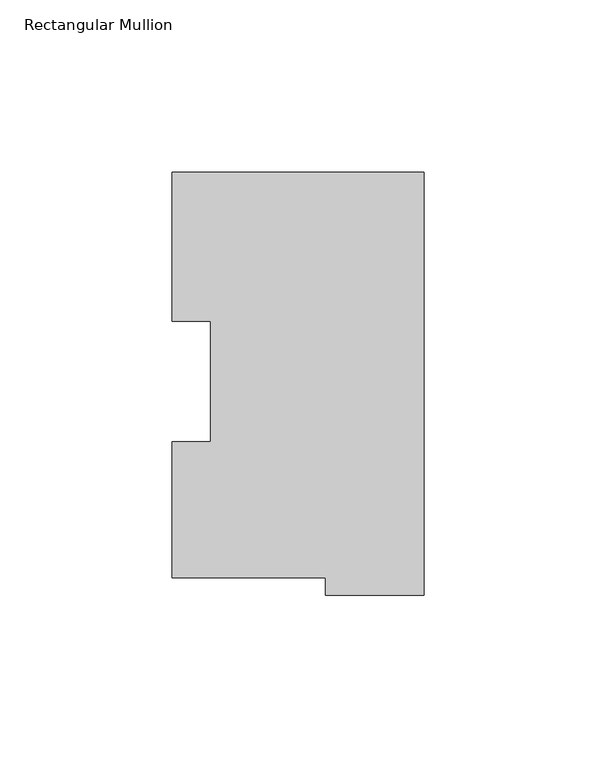
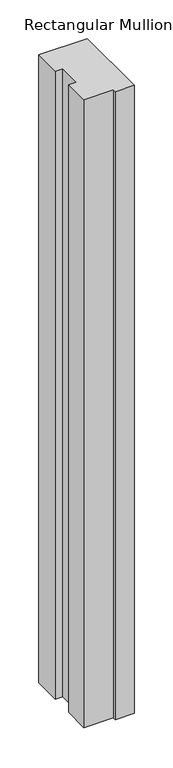
"""IFC4 building model written with IfcOpenShell, lengths in millimetres: member geometry, Rectangular Mullion."""

import ifcopenshell
import ifcopenshell.guid

model = None  # the IFC model being written
_history = None  # IfcOwnerHistory: only IFC2X3 demands one
_inside = {}  # id of a spatial element -> (the spatial element, [elements in it])
_under = {}  # id of a project, library or spatial element -> (it, [spatial elements below it])
_declared = {}  # id of a project -> (the project, [libraries it declares])
_typed = {}  # id of a type object -> (the type object, [elements of that type])
_made_of = {}  # id of a material, layer set ... -> (it, [elements and type objects made of it])


def new_model(schema):
    """Start an empty IFC model of exactly this schema.

    Asked for "IFC4X3", IfcOpenShell would pick the latest addendum, in which some entities
    have other attributes; the version numbers below select the first issue.
    IFC2X3 requires an IfcOwnerHistory on every rooted entity: one is made here for all.
    """
    global model, _history
    if schema == "IFC4X3":
        model = ifcopenshell.file(schema_version=(4, 3, 0, 0))
    else:
        model = ifcopenshell.file(schema=schema)
    _inside.clear()
    _under.clear()
    _declared.clear()
    _typed.clear()
    _made_of.clear()
    _history = None
    if model.schema == "IFC2X3":
        org = make("IfcOrganization", Name="unknown")
        user = make(
            "IfcPersonAndOrganization",
            ThePerson=make("IfcPerson", FamilyName="unknown"),
            TheOrganization=org,
        )
        app = make(
            "IfcApplication",
            ApplicationDeveloper=org,
            Version="unknown",
            ApplicationFullName="unknown",
            ApplicationIdentifier="unknown",
        )
        _history = make(
            "IfcOwnerHistory",
            OwningUser=user,
            OwningApplication=app,
            ChangeAction="ADDED",
            CreationDate=0,
        )
    return model


def make(cls, **values):
    """One entity of the class cls with the attributes given. An attribute that is None is left unset."""
    return model.create_entity(
        cls, **{name: value for name, value in values.items() if value is not None}
    )


def rooted(cls, **values):
    """An entity with a GlobalId (a new one), such as an element, a storey or a relation."""
    return make(cls, GlobalId=ifcopenshell.guid.new(), OwnerHistory=_history, **values)


def si_unit(unit_type, name, prefix=None):
    """IfcSIUnit, for example si_unit("LENGTHUNIT", "METRE", prefix="MILLI")."""
    return make("IfcSIUnit", UnitType=unit_type, Prefix=prefix, Name=name)


def assignment(units):
    """IfcUnitAssignment: the units of a project."""
    return None if units is None else make("IfcUnitAssignment", Units=units)


def point(xyz):
    """IfcCartesianPoint."""
    return None if xyz is None else make("IfcCartesianPoint", Coordinates=xyz)


def direction(xyz):
    """IfcDirection."""
    return None if xyz is None else make("IfcDirection", DirectionRatios=xyz)


def frame(location, z_axis=None, x_axis=None):
    """IfcAxis2Placement3D, a coordinate frame: its origin and axes. An axis left out is left unset."""
    return make(
        "IfcAxis2Placement3D",
        Location=point(location),
        Axis=direction(z_axis),
        RefDirection=direction(x_axis),
    )


def origin():
    """The frame at (0, 0, 0) with its axes left unset."""
    return frame((0.0, 0.0, 0.0))


def place(relative_to, where):
    """IfcLocalPlacement: puts the frame where relative to a parent placement (None: the world)."""
    return make(
        "IfcLocalPlacement", PlacementRelTo=relative_to, RelativePlacement=where
    )


def context(
    kind, dimensions, precision=None, world=None, true_north=None, identifier=None
):
    """IfcGeometricRepresentationContext, for example the 3D "Model" context."""
    return make(
        "IfcGeometricRepresentationContext",
        ContextIdentifier=identifier,
        ContextType=kind,
        CoordinateSpaceDimension=dimensions,
        Precision=precision,
        WorldCoordinateSystem=world,
        TrueNorth=true_north,
    )


def project(units=None, contexts=None):
    """IfcProject with its units and contexts."""
    return rooted(
        "IfcProject",
        Name="project",
        RepresentationContexts=contexts,
        UnitsInContext=assignment(units),
    )


def spatial(cls, under=None, at=None, **own):
    """A site, building, storey or space (cls), placed at a placement, below another one or the project."""
    s = rooted(cls, ObjectPlacement=at, **own)
    if under is not None:
        _under.setdefault(under.id(), (under, []))[1].append(s)
    return s


def polyline(points):
    """IfcPolyline through the points."""
    return make("IfcPolyline", Points=[point(p) for p in points])


def outline(outer, holes=None, kind="AREA"):
    """IfcArbitraryClosedProfileDef: a profile drawn as a closed curve; with holes, ...WithVoids."""
    if holes is None:
        return make("IfcArbitraryClosedProfileDef", ProfileType=kind, OuterCurve=outer)
    return make(
        "IfcArbitraryProfileDefWithVoids",
        ProfileType=kind,
        OuterCurve=outer,
        InnerCurves=holes,
    )


def extrude(swept, where, along, depth):
    """IfcExtrudedAreaSolid: the profile swept, set in the frame where, extruded along a direction by depth."""
    return make(
        "IfcExtrudedAreaSolid",
        SweptArea=swept,
        Position=where,
        ExtrudedDirection=direction(along),
        Depth=depth,
    )


def shape(context_of_items, identifier, shape_type, items):
    """IfcShapeRepresentation: the items that make up one representation, for example the "Body"."""
    return make(
        "IfcShapeRepresentation",
        ContextOfItems=context_of_items,
        RepresentationIdentifier=identifier,
        RepresentationType=shape_type,
        Items=items,
    )


def source(mapping_origin, context_of_items, identifier, shape_type, items):
    """IfcRepresentationMap: a shape defined once, which mapped items show again and again."""
    return make(
        "IfcRepresentationMap",
        MappingOrigin=mapping_origin,
        MappedRepresentation=shape(context_of_items, identifier, shape_type, items),
    )


def transform(
    local_origin,
    x_axis=None,
    y_axis=None,
    z_axis=None,
    scale=None,
    scale2=None,
    scale3=None,
    uniform=True,
):
    """IfcCartesianTransformationOperator3D, or its non-uniform kind. x_axis, y_axis, z_axis: its Axis1, 2, 3."""
    if uniform:
        return make(
            "IfcCartesianTransformationOperator3D",
            Axis1=direction(x_axis),
            Axis2=direction(y_axis),
            LocalOrigin=point(local_origin),
            Scale=scale,
            Axis3=direction(z_axis),
        )
    return make(
        "IfcCartesianTransformationOperator3DnonUniform",
        Axis1=direction(x_axis),
        Axis2=direction(y_axis),
        LocalOrigin=point(local_origin),
        Scale=scale,
        Axis3=direction(z_axis),
        Scale2=scale2,
        Scale3=scale3,
    )


def mapped(mapping_source, mapping_target):
    """IfcMappedItem: shows the shape of a source again, moved by a transform."""
    return make(
        "IfcMappedItem", MappingSource=mapping_source, MappingTarget=mapping_target
    )


def made_of(thing, what):
    """Note that an element or type object is made of a material, layer set ...; save() writes the relation."""
    if what is not None:
        _made_of.setdefault(what.id(), (what, []))[1].append(thing)
    return thing


def element(
    cls,
    number,
    at=None,
    inside=None,
    cuts=None,
    type_object=None,
    material=None,
    context=None,
    identifier="Body",
    shape_type=None,
    held_by="IfcProductDefinitionShape",
    body=None,
    shapes=None,
    **own,
):
    """One element of the class cls, such as IfcWall. Its Tag is "e" and its number.

    at: its placement. inside: the storey or other place that contains it. cuts: it is an
    opening in that element (IfcRelVoidsElement). A single representation is given by context,
    identifier, shape_type and body (its items); several are given by shapes. held_by: the class
    of the entity that holds the representations. save() writes the other relations.
    """
    e = rooted(cls, Tag="e%d" % number, ObjectPlacement=at, **own)
    if body is not None:
        shapes = [shape(context, identifier, shape_type, body)]
    if shapes is not None:
        e.Representation = make(held_by, Representations=shapes)
    if inside is not None:
        _inside.setdefault(inside.id(), (inside, []))[1].append(e)
    if cuts is not None:
        rooted(
            "IfcRelVoidsElement", RelatingBuildingElement=cuts, RelatedOpeningElement=e
        )
    if type_object is not None:
        _typed.setdefault(type_object.id(), (type_object, []))[1].append(e)
    return made_of(e, material)


def aggregate(whole, parts):
    """IfcRelAggregates: a whole, such as a stair, and the parts it consists of."""
    return rooted("IfcRelAggregates", RelatingObject=whole, RelatedObjects=parts)


def save(model, path):
    """Write the relations noted so far, then the file.

    IfcRelAggregates (storeys below a building ...), IfcRelContainedInSpatialStructure (elements
    in a storey), IfcRelDefinesByType, IfcRelAssociatesMaterial and IfcRelDeclares: one each for
    every whole, place, type object, material and project.
    """
    for whole, parts in _under.values():
        aggregate(whole, parts)
    for where, things in _inside.values():
        rooted(
            "IfcRelContainedInSpatialStructure",
            RelatedElements=things,
            RelatingStructure=where,
        )
    for kind, things in _typed.values():
        rooted("IfcRelDefinesByType", RelatedObjects=things, RelatingType=kind)
    for what, things in _made_of.values():
        rooted("IfcRelAssociatesMaterial", RelatedObjects=things, RelatingMaterial=what)
    for by, libraries in _declared.values():
        rooted("IfcRelDeclares", RelatingContext=by, RelatedDefinitions=libraries)
    model.write(path)


def rectangular_mullion_9a280be7(model_context):
    return source(origin(), model_context, "Body", "SweptSolid", [
        extrude(outline(polyline([(-73.025, 117.827425), (0.0, 117.827425), (0.0, -4.778375), (-28.575, -4.778375), (-28.575, 0.225425), (-73.025, 0.225425), (-73.025, 39.646225), (-61.9252, 39.646225), (-61.9252, 74.596625), (-73.025, 74.596625), (-73.025, 117.827425)])), frame((0.0, 0.0, -995.333925), z_axis=(0.0, 0.0, 1.0), x_axis=(1.0, 0.0, 0.0)), (0.0, 0.0, 1.0), 995.333925),
    ])


if __name__ == "__main__":
    model = new_model("IFC4")
    model_context = context("Model", 3, world=origin())
    ifc_project = project(units=[si_unit("LENGTHUNIT", "METRE", prefix="MILLI")], contexts=[model_context])
    site = spatial("IfcSite", under=ifc_project)
    building = spatial("IfcBuilding", under=site)
    placement = place(None, origin())
    rectangular_mullion_shape = rectangular_mullion_9a280be7(model_context)
    element("IfcMember", 1, ObjectType="Rectangular Mullion", at=placement, inside=building, context=model_context, shape_type="MappedRepresentation", body=[
        mapped(rectangular_mullion_shape, transform((0.0, 0.0, 0.0), x_axis=(1.0, 0.0, 0.0), y_axis=(0.0, 1.0, 0.0), z_axis=(0.0, 0.0, 1.0))),
    ])
    save(model, "model.ifc")
